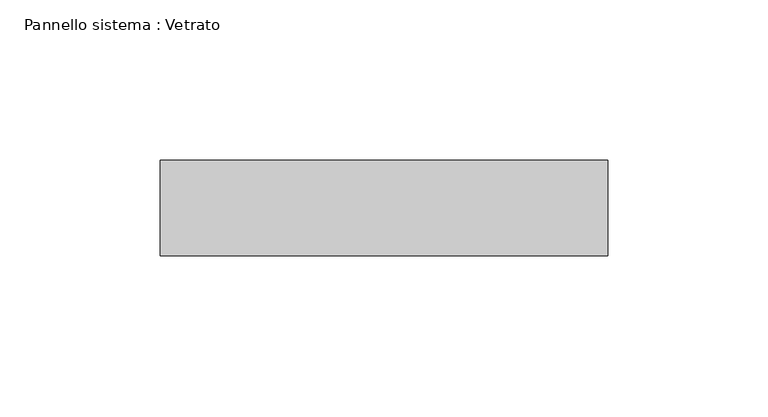
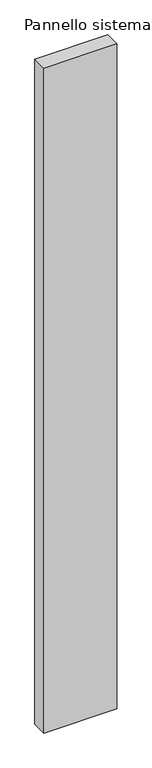
"""IFC4 building model written with IfcOpenShell, lengths in millimetres: plate geometry, Pannello sistema : Vetrato."""

from ifc_helpers import new_model, si_unit, origin, origin_with_axes, place, context, project, spatial, polyline, outline, extrude, source, transform, mapped, element, save


def pannello_sistema_vetrato_ccc37399(model_context):
    return source(origin(), model_context, "Body", "SweptSolid", [
        extrude(outline(polyline([(69.9999998, -15.0), (-69.9999998, -15.0), (-69.9999998, 15.0), (69.9999998, 15.0), (69.9999998, -15.0)])), origin_with_axes(), (0.0, 0.0, 1.0), 1350.0),
    ])


if __name__ == "__main__":
    model = new_model("IFC4")
    model_context = context("Model", 3, world=origin())
    ifc_project = project(units=[si_unit("LENGTHUNIT", "METRE", prefix="MILLI")], contexts=[model_context])
    site = spatial("IfcSite", under=ifc_project)
    building = spatial("IfcBuilding", under=site)
    placement = place(None, origin())
    pannello_sistema_vetrato_shape = pannello_sistema_vetrato_ccc37399(model_context)
    element("IfcPlate", 1, ObjectType="Pannello sistema : Vetrato", at=placement, inside=building, context=model_context, shape_type="MappedRepresentation", body=[
        mapped(pannello_sistema_vetrato_shape, transform((0.0, 0.0, 0.0), x_axis=(1.0, 0.0, 0.0), y_axis=(0.0, 1.0, 0.0), z_axis=(0.0, 0.0, 1.0))),
    ])
    save(model, "model.ifc")
